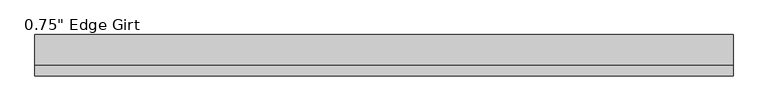
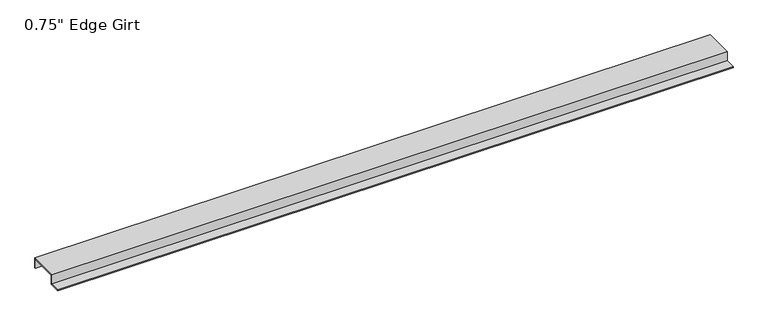
"""IFC4 building model written with IfcOpenShell, lengths in millimetres: proxy geometry."""

from ifc_helpers import new_model, si_unit, frame, origin, place, context, project, spatial, polyline, outline, extrude, source, transform, mapped, element, save


def proxy_7883f8f1(model_context):
    return source(origin(), model_context, "Body", "SweptSolid", [
        extrude(outline(polyline([(-46.0559645, -17.4375), (-46.0559645, -15.8242), (-27.0129, -15.8242), (-27.0129, 1.6129), (27.0129, 1.6129), (27.0129, -17.4375), (25.4, -17.4375), (25.4, 0.0), (-25.4, 0.0), (-25.4, -17.4375), (-46.0559645, -17.4375)])), frame((0.0, 0.0, 0.0), z_axis=(1.0, 0.0, 0.0), x_axis=(0.0, 1.0, 0.0)), (0.0, 0.0, 1.0), 1236.4185365),
    ])


if __name__ == "__main__":
    model = new_model("IFC4")
    model_context = context("Model", 3, world=origin())
    ifc_project = project(units=[si_unit("LENGTHUNIT", "METRE", prefix="MILLI")], contexts=[model_context])
    site = spatial("IfcSite", under=ifc_project)
    building = spatial("IfcBuilding", under=site)
    placement = place(None, origin())
    proxy_shape = proxy_7883f8f1(model_context)
    element("IfcBuildingElementProxy", 1, Name="0.75\" Edge Girt", ObjectType="0.75\" Edge Girt", at=placement, inside=building, context=model_context, shape_type="MappedRepresentation", body=[
        mapped(proxy_shape, transform((0.0, 0.0, 0.0), x_axis=(1.0, 0.0, 0.0), y_axis=(0.0, 1.0, 0.0), z_axis=(0.0, 0.0, 1.0))),
    ])
    save(model, "model.ifc")
